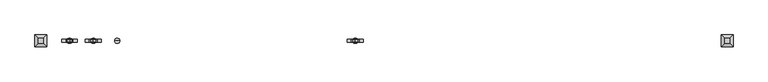
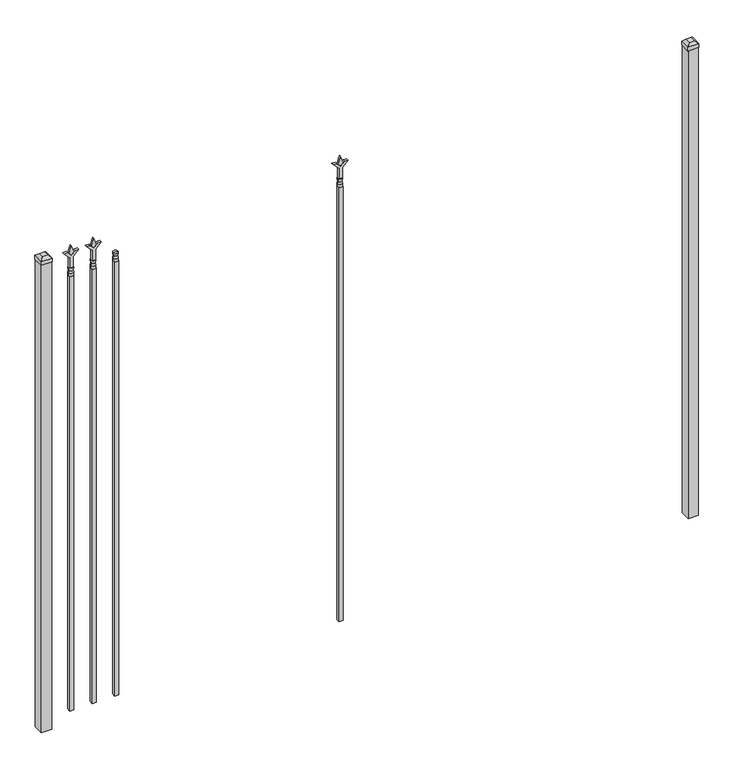
"""IFC4 building model written with IfcOpenShell, lengths in millimetres: railing geometry."""

import ifcopenshell
import ifcopenshell.guid

model = None  # the IFC model being written
_history = None  # IfcOwnerHistory: only IFC2X3 demands one
_inside = {}  # id of a spatial element -> (the spatial element, [elements in it])
_under = {}  # id of a project, library or spatial element -> (it, [spatial elements below it])
_declared = {}  # id of a project -> (the project, [libraries it declares])
_typed = {}  # id of a type object -> (the type object, [elements of that type])
_made_of = {}  # id of a material, layer set ... -> (it, [elements and type objects made of it])


def new_model(schema):
    """Start an empty IFC model of exactly this schema.

    Asked for "IFC4X3", IfcOpenShell would pick the latest addendum, in which some entities
    have other attributes; the version numbers below select the first issue.
    IFC2X3 requires an IfcOwnerHistory on every rooted entity: one is made here for all.
    """
    global model, _history
    if schema == "IFC4X3":
        model = ifcopenshell.file(schema_version=(4, 3, 0, 0))
    else:
        model = ifcopenshell.file(schema=schema)
    _inside.clear()
    _under.clear()
    _declared.clear()
    _typed.clear()
    _made_of.clear()
    _history = None
    if model.schema == "IFC2X3":
        org = make("IfcOrganization", Name="unknown")
        user = make(
            "IfcPersonAndOrganization",
            ThePerson=make("IfcPerson", FamilyName="unknown"),
            TheOrganization=org,
        )
        app = make(
            "IfcApplication",
            ApplicationDeveloper=org,
            Version="unknown",
            ApplicationFullName="unknown",
            ApplicationIdentifier="unknown",
        )
        _history = make(
            "IfcOwnerHistory",
            OwningUser=user,
            OwningApplication=app,
            ChangeAction="ADDED",
            CreationDate=0,
        )
    return model


def make(cls, **values):
    """One entity of the class cls with the attributes given. An attribute that is None is left unset."""
    return model.create_entity(
        cls, **{name: value for name, value in values.items() if value is not None}
    )


def rooted(cls, **values):
    """An entity with a GlobalId (a new one), such as an element, a storey or a relation."""
    return make(cls, GlobalId=ifcopenshell.guid.new(), OwnerHistory=_history, **values)


def si_unit(unit_type, name, prefix=None):
    """IfcSIUnit, for example si_unit("LENGTHUNIT", "METRE", prefix="MILLI")."""
    return make("IfcSIUnit", UnitType=unit_type, Prefix=prefix, Name=name)


def assignment(units):
    """IfcUnitAssignment: the units of a project."""
    return None if units is None else make("IfcUnitAssignment", Units=units)


def point(xyz):
    """IfcCartesianPoint."""
    return None if xyz is None else make("IfcCartesianPoint", Coordinates=xyz)


def direction(xyz):
    """IfcDirection."""
    return None if xyz is None else make("IfcDirection", DirectionRatios=xyz)


def frame(location, z_axis=None, x_axis=None):
    """IfcAxis2Placement3D, a coordinate frame: its origin and axes. An axis left out is left unset."""
    return make(
        "IfcAxis2Placement3D",
        Location=point(location),
        Axis=direction(z_axis),
        RefDirection=direction(x_axis),
    )


def origin():
    """The frame at (0, 0, 0) with its axes left unset."""
    return frame((0.0, 0.0, 0.0))


def origin_with_axes():
    """The frame at (0, 0, 0) with the z axis (0, 0, 1) and the x axis (1, 0, 0) written out."""
    return frame((0.0, 0.0, 0.0), z_axis=(0.0, 0.0, 1.0), x_axis=(1.0, 0.0, 0.0))


def place(relative_to, where):
    """IfcLocalPlacement: puts the frame where relative to a parent placement (None: the world)."""
    return make(
        "IfcLocalPlacement", PlacementRelTo=relative_to, RelativePlacement=where
    )


def context(
    kind, dimensions, precision=None, world=None, true_north=None, identifier=None
):
    """IfcGeometricRepresentationContext, for example the 3D "Model" context."""
    return make(
        "IfcGeometricRepresentationContext",
        ContextIdentifier=identifier,
        ContextType=kind,
        CoordinateSpaceDimension=dimensions,
        Precision=precision,
        WorldCoordinateSystem=world,
        TrueNorth=true_north,
    )


def project(units=None, contexts=None):
    """IfcProject with its units and contexts."""
    return rooted(
        "IfcProject",
        Name="project",
        RepresentationContexts=contexts,
        UnitsInContext=assignment(units),
    )


def spatial(cls, under=None, at=None, **own):
    """A site, building, storey or space (cls), placed at a placement, below another one or the project."""
    s = rooted(cls, ObjectPlacement=at, **own)
    if under is not None:
        _under.setdefault(under.id(), (under, []))[1].append(s)
    return s


def polyline(points):
    """IfcPolyline through the points."""
    return make("IfcPolyline", Points=[point(p) for p in points])


def circle_curve(where, radius):
    """IfcCircle in the frame where."""
    return make("IfcCircle", Position=where, Radius=radius)


def outline(outer, holes=None, kind="AREA"):
    """IfcArbitraryClosedProfileDef: a profile drawn as a closed curve; with holes, ...WithVoids."""
    if holes is None:
        return make("IfcArbitraryClosedProfileDef", ProfileType=kind, OuterCurve=outer)
    return make(
        "IfcArbitraryProfileDefWithVoids",
        ProfileType=kind,
        OuterCurve=outer,
        InnerCurves=holes,
    )


def extrude(swept, where, along, depth):
    """IfcExtrudedAreaSolid: the profile swept, set in the frame where, extruded along a direction by depth."""
    return make(
        "IfcExtrudedAreaSolid",
        SweptArea=swept,
        Position=where,
        ExtrudedDirection=direction(along),
        Depth=depth,
    )


def faces_of(points, faces, orient=None, outer=None):
    """IfcFace entities. A face is a list of loops; a loop is a list of indices into points, from 0.

    orient and outer hold one flag for each loop. By default every Orientation is true, the
    first loop of a face is its IfcFaceOuterBound and the others are IfcFaceBound.
    """
    made = []
    for i, loops in enumerate(faces):
        bounds = []
        for j, loop in enumerate(loops):
            is_outer = j == 0 if outer is None else outer[i][j]
            bounds.append(
                make(
                    "IfcFaceOuterBound" if is_outer else "IfcFaceBound",
                    Bound=make("IfcPolyLoop", Polygon=[points[k] for k in loop]),
                    Orientation=True if orient is None else orient[i][j],
                )
            )
        made.append(make("IfcFace", Bounds=bounds))
    return made


def faceted_brep(points, faces, orient=None, outer=None, voids=None):
    """IfcFacetedBrep: a solid bounded by flat faces; with voids (closed shells), ...WithVoids."""
    shared = [point(p) for p in points]
    hull = make("IfcClosedShell", CfsFaces=faces_of(shared, faces, orient, outer))
    if voids is None:
        return make("IfcFacetedBrep", Outer=hull)
    return make(
        "IfcFacetedBrepWithVoids",
        Outer=hull,
        Voids=[
            make(cls, CfsFaces=faces_of(shared, fs, o, b)) for cls, fs, o, b in voids
        ],
    )


def shape(context_of_items, identifier, shape_type, items):
    """IfcShapeRepresentation: the items that make up one representation, for example the "Body"."""
    return make(
        "IfcShapeRepresentation",
        ContextOfItems=context_of_items,
        RepresentationIdentifier=identifier,
        RepresentationType=shape_type,
        Items=items,
    )


def source(mapping_origin, context_of_items, identifier, shape_type, items):
    """IfcRepresentationMap: a shape defined once, which mapped items show again and again."""
    return make(
        "IfcRepresentationMap",
        MappingOrigin=mapping_origin,
        MappedRepresentation=shape(context_of_items, identifier, shape_type, items),
    )


def transform(
    local_origin,
    x_axis=None,
    y_axis=None,
    z_axis=None,
    scale=None,
    scale2=None,
    scale3=None,
    uniform=True,
):
    """IfcCartesianTransformationOperator3D, or its non-uniform kind. x_axis, y_axis, z_axis: its Axis1, 2, 3."""
    if uniform:
        return make(
            "IfcCartesianTransformationOperator3D",
            Axis1=direction(x_axis),
            Axis2=direction(y_axis),
            LocalOrigin=point(local_origin),
            Scale=scale,
            Axis3=direction(z_axis),
        )
    return make(
        "IfcCartesianTransformationOperator3DnonUniform",
        Axis1=direction(x_axis),
        Axis2=direction(y_axis),
        LocalOrigin=point(local_origin),
        Scale=scale,
        Axis3=direction(z_axis),
        Scale2=scale2,
        Scale3=scale3,
    )


def mapped(mapping_source, mapping_target):
    """IfcMappedItem: shows the shape of a source again, moved by a transform."""
    return make(
        "IfcMappedItem", MappingSource=mapping_source, MappingTarget=mapping_target
    )


def made_of(thing, what):
    """Note that an element or type object is made of a material, layer set ...; save() writes the relation."""
    if what is not None:
        _made_of.setdefault(what.id(), (what, []))[1].append(thing)
    return thing


def element(
    cls,
    number,
    at=None,
    inside=None,
    cuts=None,
    type_object=None,
    material=None,
    context=None,
    identifier="Body",
    shape_type=None,
    held_by="IfcProductDefinitionShape",
    body=None,
    shapes=None,
    **own,
):
    """One element of the class cls, such as IfcWall. Its Tag is "e" and its number.

    at: its placement. inside: the storey or other place that contains it. cuts: it is an
    opening in that element (IfcRelVoidsElement). A single representation is given by context,
    identifier, shape_type and body (its items); several are given by shapes. held_by: the class
    of the entity that holds the representations. save() writes the other relations.
    """
    e = rooted(cls, Tag="e%d" % number, ObjectPlacement=at, **own)
    if body is not None:
        shapes = [shape(context, identifier, shape_type, body)]
    if shapes is not None:
        e.Representation = make(held_by, Representations=shapes)
    if inside is not None:
        _inside.setdefault(inside.id(), (inside, []))[1].append(e)
    if cuts is not None:
        rooted(
            "IfcRelVoidsElement", RelatingBuildingElement=cuts, RelatedOpeningElement=e
        )
    if type_object is not None:
        _typed.setdefault(type_object.id(), (type_object, []))[1].append(e)
    return made_of(e, material)


def aggregate(whole, parts):
    """IfcRelAggregates: a whole, such as a stair, and the parts it consists of."""
    return rooted("IfcRelAggregates", RelatingObject=whole, RelatedObjects=parts)


def save(model, path):
    """Write the relations noted so far, then the file.

    IfcRelAggregates (storeys below a building ...), IfcRelContainedInSpatialStructure (elements
    in a storey), IfcRelDefinesByType, IfcRelAssociatesMaterial and IfcRelDeclares: one each for
    every whole, place, type object, material and project.
    """
    for whole, parts in _under.values():
        aggregate(whole, parts)
    for where, things in _inside.values():
        rooted(
            "IfcRelContainedInSpatialStructure",
            RelatedElements=things,
            RelatingStructure=where,
        )
    for kind, things in _typed.values():
        rooted("IfcRelDefinesByType", RelatedObjects=things, RelatingType=kind)
    for what, things in _made_of.values():
        rooted("IfcRelAssociatesMaterial", RelatedObjects=things, RelatingMaterial=what)
    for by, libraries in _declared.values():
        rooted("IfcRelDeclares", RelatingContext=by, RelatedDefinitions=libraries)
    model.write(path)


def plane_surface(at):
    """IfcPlane: the flat surface through the origin of the frame at, square to its z axis."""
    return make("IfcPlane", Position=at)


def cylinder_surface(at, radius):
    """IfcCylindricalSurface: all points at the distance radius from the z axis of the frame at."""
    return make("IfcCylindricalSurface", Position=at, Radius=radius)


def revolved_surface(curve, axis_point, axis_direction):
    """IfcSurfaceOfRevolution: the curve turned about the line through axis_point along axis_direction."""
    return make(
        "IfcSurfaceOfRevolution",
        SweptCurve=make("IfcArbitraryOpenProfileDef", ProfileType="CURVE", Curve=curve),
        AxisPosition=make("IfcAxis1Placement", Location=point(axis_point), Axis=direction(axis_direction)),
    )


def advanced_brep(points, edges, surfaces, faces):
    """IfcAdvancedBrep: a solid bounded by faces that lie on surfaces and meet in shared edges.

    An edge is (start, end): straight between two places in points (the first is 0);
    or (start, end, curve); or (start, end, curve, False) where it runs against its curve.
    A face is (place in surfaces, loops), or (place, loops, False) where it looks against
    its surface's normal. A loop lists edges by number (the first is 1), with a minus sign
    where the edge is run from its end to its start. The first loop is the outer one.
    """
    corners = [point(p) for p in points]
    vertices = [make("IfcVertexPoint", VertexGeometry=c) for c in corners]
    made = []
    for start, end, *more in edges:
        made.append(
            make(
                "IfcEdgeCurve",
                EdgeStart=vertices[start],
                EdgeEnd=vertices[end],
                EdgeGeometry=more[0] if more else make("IfcPolyline", Points=[corners[start], corners[end]]),
                SameSense=more[1] if len(more) > 1 else True,
            )
        )
    hull = []
    for where, loops, *sense in faces:
        bounds = []
        for j, loop in enumerate(loops):
            ring = [make("IfcOrientedEdge", EdgeElement=made[abs(k) - 1], Orientation=k > 0) for k in loop]
            bounds.append(
                make(
                    "IfcFaceOuterBound" if j == 0 else "IfcFaceBound",
                    Bound=make("IfcEdgeLoop", EdgeList=ring),
                    Orientation=True,
                )
            )
        hull.append(make("IfcAdvancedFace", Bounds=bounds, FaceSurface=surfaces[where], SameSense=sense[0] if sense else True))
    return make("IfcAdvancedBrep", Outer=make("IfcClosedShell", CfsFaces=hull))


def railing_cf32342f(model_context):
    return source(origin(), model_context, "Body", "SolidModel", [
        advanced_brep(
        [(-54887.1035036, -6731.2570174, 2298.7), (-54910.9160036, -6731.2570174, 2298.7), (-54910.9160036, -6731.2570174, 2286.0), (-54887.1035036, -6731.2570174, 2286.0), (-54889.3088355, -6731.2570174, 2311.2070585), (-54908.7106718, -6731.2570174, 2311.2070585), (-54887.1035036, -6731.2570174, 2327.275), (-54910.9160036, -6731.2570174, 2327.275), (-54899.0097536, -6731.2570174, 2327.275), (-54899.0097536, -6731.2570174, 2286.0)],
        [
            (0, 1, circle_curve(frame((-54899.0097536, -6731.2570174, 2298.7), z_axis=(0.0, 0.0, -1.0), x_axis=(-1.0, 0.0, 0.0)), 11.90625)),
            (1, 2),
            (2, 3, circle_curve(frame((-54899.0097536, -6731.2570174, 2286.0), z_axis=(0.0, 0.0, 1.0), x_axis=(-1.0, 0.0, 0.0)), 11.90625)),
            (3, 0),
            (1, 0, circle_curve(frame((-54899.0097536, -6731.2570174, 2298.7), z_axis=(0.0, 0.0, -1.0), x_axis=(-1.0, 0.0, 0.0)), 11.90625)),
            (3, 2, circle_curve(frame((-54899.0097536, -6731.2570174, 2286.0), z_axis=(0.0, 0.0, 1.0), x_axis=(-1.0, 0.0, 0.0)), 11.90625)),
            (4, 5, circle_curve(frame((-54899.0097536, -6731.2570174, 2311.2070585), z_axis=(0.0, 0.0, -1.0), x_axis=(-1.0, 0.0, 0.0)), 9.7009181)),
            (5, 1),
            (0, 4),
            (5, 4, circle_curve(frame((-54899.0097536, -6731.2570174, 2311.2070585), z_axis=(0.0, 0.0, -1.0), x_axis=(-1.0, 0.0, 0.0)), 9.7009181)),
            (6, 7, circle_curve(frame((-54899.0097536, -6731.2570174, 2327.275), z_axis=(0.0, 0.0, -1.0), x_axis=(-1.0, 0.0, 0.0)), 11.90625)),
            (7, 5),
            (4, 6),
            (7, 6, circle_curve(frame((-54899.0097536, -6731.2570174, 2327.275), z_axis=(0.0, 0.0, -1.0), x_axis=(-1.0, 0.0, 0.0)), 11.90625)),
            (8, 7),
            (6, 8),
            (2, 9),
            (9, 3),
        ],
        [
            cylinder_surface(frame((-54899.0097536, -6731.2570174, 2286.0), z_axis=(0.0, 0.0, 1.0), x_axis=(-1.0, 0.0, 0.0)), 11.90625),
            revolved_surface(polyline([(-54910.9160036, -6731.2570174, 2298.7), (-54908.7106718, -6731.2570174, 2311.2070585)]), (-54899.0097536, -6731.2570174, 2286.0), (0.0, 0.0, 1.0)),
            revolved_surface(polyline([(-54908.7106718, -6731.2570174, 2311.2070585), (-54910.9160036, -6731.2570174, 2327.275)]), (-54899.0097536, -6731.2570174, 2286.0), (0.0, 0.0, 1.0)),
            plane_surface(frame((-54899.0097536, -6731.2570174, 2327.275), z_axis=(0.0, 0.0, 1.0), x_axis=(-1.0, 0.0, 0.0))),
            plane_surface(frame((-54899.0097536, -6731.2570174, 2286.0), z_axis=(0.0, 0.0, -1.0), x_axis=(-1.0, 0.0, 0.0))),
        ],
        [
            (0, [[1, 2, 3, 4]]),
            (0, [[5, -4, 6, -2]]),
            (1, [[7, 8, -1, 9]]),
            (1, [[10, -9, -5, -8]]),
            (2, [[11, 12, -7, 13]]),
            (2, [[14, -13, -10, -12]]),
            (3, [[15, -11, 16]]),
            (3, [[-16, -14, -15]]),
            (4, [[-3, 17, 18]]),
            (4, [[-6, -18, -17]]),
        ],
    ),
        extrude(outline(polyline([(-54908.5347536, -6721.7320174), (-54889.4847536, -6721.7320174), (-54889.4847536, -6740.7820174), (-54908.5347536, -6740.7820174), (-54908.5347536, -6721.7320174)])), frame((0.0, 0.0, 50.8), z_axis=(0.0, 0.0, 1.0), x_axis=(1.0, 0.0, 0.0)), (0.0, 0.0, 1.0), 2235.2),
        extrude(outline(polyline([(2402.68125, -54996.3764203), (2438.4, -55008.2826703), (2402.68125, -55020.1889203), (2390.775, -55008.2826703), (2402.68125, -54996.3764203)])), frame((0.0, -6736.0195174, 0.0), z_axis=(0.0, 1.0, 0.0), x_axis=(0.0, 0.0, 1.0)), (0.0, 0.0, 1.0), 9.525),
        extrude(outline(polyline([(2327.275, -54999.5514203), (2381.5457378, -54999.5514203), (2408.7355122, -54972.3616458), (2408.7355122, -54990.3221581), (2390.775, -55008.2826703), (2408.7355122, -55026.2431825), (2408.7355122, -55044.2036948), (2381.5457378, -55017.0139203), (2327.275, -55017.0139203), (2327.275, -54999.5514203)])), frame((0.0, -6737.6070174, 0.0), z_axis=(0.0, 1.0, 0.0), x_axis=(0.0, 0.0, 1.0)), (0.0, 0.0, 1.0), 12.7),
        advanced_brep(
        [(-54996.3764203, -6731.2570174, 2298.7), (-55020.1889203, -6731.2570174, 2298.7), (-55020.1889203, -6731.2570174, 2286.0), (-54996.3764203, -6731.2570174, 2286.0), (-54998.5817522, -6731.2570174, 2311.2070585), (-55017.9835884, -6731.2570174, 2311.2070585), (-54996.3764203, -6731.2570174, 2327.275), (-55020.1889203, -6731.2570174, 2327.275), (-55008.2826703, -6731.2570174, 2327.275), (-55008.2826703, -6731.2570174, 2286.0)],
        [
            (0, 1, circle_curve(frame((-55008.2826703, -6731.2570174, 2298.7), z_axis=(0.0, 0.0, -1.0), x_axis=(-1.0, 0.0, 0.0)), 11.90625)),
            (1, 2),
            (2, 3, circle_curve(frame((-55008.2826703, -6731.2570174, 2286.0), z_axis=(0.0, 0.0, 1.0), x_axis=(-1.0, 0.0, 0.0)), 11.90625)),
            (3, 0),
            (1, 0, circle_curve(frame((-55008.2826703, -6731.2570174, 2298.7), z_axis=(0.0, 0.0, -1.0), x_axis=(-1.0, 0.0, 0.0)), 11.90625)),
            (3, 2, circle_curve(frame((-55008.2826703, -6731.2570174, 2286.0), z_axis=(0.0, 0.0, 1.0), x_axis=(-1.0, 0.0, 0.0)), 11.90625)),
            (4, 5, circle_curve(frame((-55008.2826703, -6731.2570174, 2311.2070585), z_axis=(0.0, 0.0, -1.0), x_axis=(-1.0, 0.0, 0.0)), 9.7009181)),
            (5, 1),
            (0, 4),
            (5, 4, circle_curve(frame((-55008.2826703, -6731.2570174, 2311.2070585), z_axis=(0.0, 0.0, -1.0), x_axis=(-1.0, 0.0, 0.0)), 9.7009181)),
            (6, 7, circle_curve(frame((-55008.2826703, -6731.2570174, 2327.275), z_axis=(0.0, 0.0, -1.0), x_axis=(-1.0, 0.0, 0.0)), 11.90625)),
            (7, 5),
            (4, 6),
            (7, 6, circle_curve(frame((-55008.2826703, -6731.2570174, 2327.275), z_axis=(0.0, 0.0, -1.0), x_axis=(-1.0, 0.0, 0.0)), 11.90625)),
            (8, 7),
            (6, 8),
            (2, 9),
            (9, 3),
        ],
        [
            cylinder_surface(frame((-55008.2826703, -6731.2570174, 2286.0), z_axis=(0.0, 0.0, 1.0), x_axis=(-1.0, 0.0, 0.0)), 11.90625),
            revolved_surface(polyline([(-55020.1889203, -6731.2570174, 2298.7), (-55017.9835884, -6731.2570174, 2311.2070585)]), (-55008.2826703, -6731.2570174, 2286.0), (0.0, 0.0, 1.0)),
            revolved_surface(polyline([(-55017.9835884, -6731.2570174, 2311.2070585), (-55020.1889203, -6731.2570174, 2327.275)]), (-55008.2826703, -6731.2570174, 2286.0), (0.0, 0.0, 1.0)),
            plane_surface(frame((-55008.2826703, -6731.2570174, 2327.275), z_axis=(0.0, 0.0, 1.0), x_axis=(-1.0, 0.0, 0.0))),
            plane_surface(frame((-55008.2826703, -6731.2570174, 2286.0), z_axis=(0.0, 0.0, -1.0), x_axis=(-1.0, 0.0, 0.0))),
        ],
        [
            (0, [[1, 2, 3, 4]]),
            (0, [[5, -4, 6, -2]]),
            (1, [[7, 8, -1, 9]]),
            (1, [[10, -9, -5, -8]]),
            (2, [[11, 12, -7, 13]]),
            (2, [[14, -13, -10, -12]]),
            (3, [[15, -11, 16]]),
            (3, [[-16, -14, -15]]),
            (4, [[-3, 17, 18]]),
            (4, [[-6, -18, -17]]),
        ],
    ),
        extrude(outline(polyline([(-55017.8076703, -6721.7320174), (-54998.7576703, -6721.7320174), (-54998.7576703, -6740.7820174), (-55017.8076703, -6740.7820174), (-55017.8076703, -6721.7320174)])), frame((0.0, 0.0, 50.8), z_axis=(0.0, 0.0, 1.0), x_axis=(1.0, 0.0, 0.0)), (0.0, 0.0, 1.0), 2235.2),
        extrude(outline(polyline([(2402.68125, -53794.374337), (2438.4, -53806.280587), (2402.68125, -53818.186837), (2390.775, -53806.280587), (2402.68125, -53794.374337)])), frame((0.0, -6736.0195174, 0.0), z_axis=(0.0, 1.0, 0.0), x_axis=(0.0, 0.0, 1.0)), (0.0, 0.0, 1.0), 9.525),
        extrude(outline(polyline([(2327.275, -53797.549337), (2381.5457378, -53797.549337), (2408.7355122, -53770.3595625), (2408.7355122, -53788.3200747), (2390.775, -53806.280587), (2408.7355122, -53824.2410992), (2408.7355122, -53842.2016114), (2381.5457378, -53815.011837), (2327.275, -53815.011837), (2327.275, -53797.549337)])), frame((0.0, -6737.6070174, 0.0), z_axis=(0.0, 1.0, 0.0), x_axis=(0.0, 0.0, 1.0)), (0.0, 0.0, 1.0), 12.7),
        advanced_brep(
        [(-53794.374337, -6731.2570174, 2298.7), (-53818.186837, -6731.2570174, 2298.7), (-53818.186837, -6731.2570174, 2286.0), (-53794.374337, -6731.2570174, 2286.0), (-53796.5796688, -6731.2570174, 2311.2070585), (-53815.9815051, -6731.2570174, 2311.2070585), (-53794.374337, -6731.2570174, 2327.275), (-53818.186837, -6731.2570174, 2327.275), (-53806.280587, -6731.2570174, 2327.275), (-53806.280587, -6731.2570174, 2286.0)],
        [
            (0, 1, circle_curve(frame((-53806.280587, -6731.2570174, 2298.7), z_axis=(0.0, 0.0, -1.0), x_axis=(-1.0, 0.0, 0.0)), 11.90625)),
            (1, 2),
            (2, 3, circle_curve(frame((-53806.280587, -6731.2570174, 2286.0), z_axis=(0.0, 0.0, 1.0), x_axis=(-1.0, 0.0, 0.0)), 11.90625)),
            (3, 0),
            (1, 0, circle_curve(frame((-53806.280587, -6731.2570174, 2298.7), z_axis=(0.0, 0.0, -1.0), x_axis=(-1.0, 0.0, 0.0)), 11.90625)),
            (3, 2, circle_curve(frame((-53806.280587, -6731.2570174, 2286.0), z_axis=(0.0, 0.0, 1.0), x_axis=(-1.0, 0.0, 0.0)), 11.90625)),
            (4, 5, circle_curve(frame((-53806.280587, -6731.2570174, 2311.2070585), z_axis=(0.0, 0.0, -1.0), x_axis=(-1.0, 0.0, 0.0)), 9.7009181)),
            (5, 1),
            (0, 4),
            (5, 4, circle_curve(frame((-53806.280587, -6731.2570174, 2311.2070585), z_axis=(0.0, 0.0, -1.0), x_axis=(-1.0, 0.0, 0.0)), 9.7009181)),
            (6, 7, circle_curve(frame((-53806.280587, -6731.2570174, 2327.275), z_axis=(0.0, 0.0, -1.0), x_axis=(-1.0, 0.0, 0.0)), 11.90625)),
            (7, 5),
            (4, 6),
            (7, 6, circle_curve(frame((-53806.280587, -6731.2570174, 2327.275), z_axis=(0.0, 0.0, -1.0), x_axis=(-1.0, 0.0, 0.0)), 11.90625)),
            (8, 7),
            (6, 8),
            (2, 9),
            (9, 3),
        ],
        [
            cylinder_surface(frame((-53806.280587, -6731.2570174, 2286.0), z_axis=(0.0, 0.0, 1.0), x_axis=(-1.0, 0.0, 0.0)), 11.90625),
            revolved_surface(polyline([(-53818.186837, -6731.2570174, 2298.7), (-53815.9815051, -6731.2570174, 2311.2070585)]), (-53806.280587, -6731.2570174, 2286.0), (0.0, 0.0, 1.0)),
            revolved_surface(polyline([(-53815.9815051, -6731.2570174, 2311.2070585), (-53818.186837, -6731.2570174, 2327.275)]), (-53806.280587, -6731.2570174, 2286.0), (0.0, 0.0, 1.0)),
            plane_surface(frame((-53806.280587, -6731.2570174, 2327.275), z_axis=(0.0, 0.0, 1.0), x_axis=(-1.0, 0.0, 0.0))),
            plane_surface(frame((-53806.280587, -6731.2570174, 2286.0), z_axis=(0.0, 0.0, -1.0), x_axis=(-1.0, 0.0, 0.0))),
        ],
        [
            (0, [[1, 2, 3, 4]]),
            (0, [[5, -4, 6, -2]]),
            (1, [[7, 8, -1, 9]]),
            (1, [[10, -9, -5, -8]]),
            (2, [[11, 12, -7, 13]]),
            (2, [[14, -13, -10, -12]]),
            (3, [[15, -11, 16]]),
            (3, [[-16, -14, -15]]),
            (4, [[-3, 17, 18]]),
            (4, [[-6, -18, -17]]),
        ],
    ),
        extrude(outline(polyline([(-53815.805587, -6721.7320174), (-53796.755587, -6721.7320174), (-53796.755587, -6740.7820174), (-53815.805587, -6740.7820174), (-53815.805587, -6721.7320174)])), frame((0.0, 0.0, 50.8), z_axis=(0.0, 0.0, 1.0), x_axis=(1.0, 0.0, 0.0)), (0.0, 0.0, 1.0), 2235.2),
        extrude(outline(polyline([(2402.68125, -55105.649337), (2438.4, -55117.555587), (2402.68125, -55129.461837), (2390.775, -55117.555587), (2402.68125, -55105.649337)])), frame((0.0, -6736.0195174, 0.0), z_axis=(0.0, 1.0, 0.0), x_axis=(0.0, 0.0, 1.0)), (0.0, 0.0, 1.0), 9.525),
        extrude(outline(polyline([(2327.275, -55108.824337), (2381.5457378, -55108.824337), (2408.7355122, -55081.6345625), (2408.7355122, -55099.5950747), (2390.775, -55117.555587), (2408.7355122, -55135.5160992), (2408.7355122, -55153.4766114), (2381.5457378, -55126.286837), (2327.275, -55126.286837), (2327.275, -55108.824337)])), frame((0.0, -6737.6070174, 0.0), z_axis=(0.0, 1.0, 0.0), x_axis=(0.0, 0.0, 1.0)), (0.0, 0.0, 1.0), 12.7),
        advanced_brep(
        [(-55105.649337, -6731.2570174, 2298.7), (-55129.461837, -6731.2570174, 2298.7), (-55129.461837, -6731.2570174, 2286.0), (-55105.649337, -6731.2570174, 2286.0), (-55107.8546688, -6731.2570174, 2311.2070585), (-55127.2565051, -6731.2570174, 2311.2070585), (-55105.649337, -6731.2570174, 2327.275), (-55129.461837, -6731.2570174, 2327.275), (-55117.555587, -6731.2570174, 2327.275), (-55117.555587, -6731.2570174, 2286.0)],
        [
            (0, 1, circle_curve(frame((-55117.555587, -6731.2570174, 2298.7), z_axis=(0.0, 0.0, -1.0), x_axis=(-1.0, 0.0, 0.0)), 11.90625)),
            (1, 2),
            (2, 3, circle_curve(frame((-55117.555587, -6731.2570174, 2286.0), z_axis=(0.0, 0.0, 1.0), x_axis=(-1.0, 0.0, 0.0)), 11.90625)),
            (3, 0),
            (1, 0, circle_curve(frame((-55117.555587, -6731.2570174, 2298.7), z_axis=(0.0, 0.0, -1.0), x_axis=(-1.0, 0.0, 0.0)), 11.90625)),
            (3, 2, circle_curve(frame((-55117.555587, -6731.2570174, 2286.0), z_axis=(0.0, 0.0, 1.0), x_axis=(-1.0, 0.0, 0.0)), 11.90625)),
            (4, 5, circle_curve(frame((-55117.555587, -6731.2570174, 2311.2070585), z_axis=(0.0, 0.0, -1.0), x_axis=(-1.0, 0.0, 0.0)), 9.7009181)),
            (5, 1),
            (0, 4),
            (5, 4, circle_curve(frame((-55117.555587, -6731.2570174, 2311.2070585), z_axis=(0.0, 0.0, -1.0), x_axis=(-1.0, 0.0, 0.0)), 9.7009181)),
            (6, 7, circle_curve(frame((-55117.555587, -6731.2570174, 2327.275), z_axis=(0.0, 0.0, -1.0), x_axis=(-1.0, 0.0, 0.0)), 11.90625)),
            (7, 5),
            (4, 6),
            (7, 6, circle_curve(frame((-55117.555587, -6731.2570174, 2327.275), z_axis=(0.0, 0.0, -1.0), x_axis=(-1.0, 0.0, 0.0)), 11.90625)),
            (8, 7),
            (6, 8),
            (2, 9),
            (9, 3),
        ],
        [
            cylinder_surface(frame((-55117.555587, -6731.2570174, 2286.0), z_axis=(0.0, 0.0, 1.0), x_axis=(-1.0, 0.0, 0.0)), 11.90625),
            revolved_surface(polyline([(-55129.461837, -6731.2570174, 2298.7), (-55127.2565051, -6731.2570174, 2311.2070585)]), (-55117.555587, -6731.2570174, 2286.0), (0.0, 0.0, 1.0)),
            revolved_surface(polyline([(-55127.2565051, -6731.2570174, 2311.2070585), (-55129.461837, -6731.2570174, 2327.275)]), (-55117.555587, -6731.2570174, 2286.0), (0.0, 0.0, 1.0)),
            plane_surface(frame((-55117.555587, -6731.2570174, 2327.275), z_axis=(0.0, 0.0, 1.0), x_axis=(-1.0, 0.0, 0.0))),
            plane_surface(frame((-55117.555587, -6731.2570174, 2286.0), z_axis=(0.0, 0.0, -1.0), x_axis=(-1.0, 0.0, 0.0))),
        ],
        [
            (0, [[1, 2, 3, 4]]),
            (0, [[5, -4, 6, -2]]),
            (1, [[7, 8, -1, 9]]),
            (1, [[10, -9, -5, -8]]),
            (2, [[11, 12, -7, 13]]),
            (2, [[14, -13, -10, -12]]),
            (3, [[15, -11, 16]]),
            (3, [[-16, -14, -15]]),
            (4, [[-3, 17, 18]]),
            (4, [[-6, -18, -17]]),
        ],
    ),
        extrude(outline(polyline([(-55127.080587, -6721.7320174), (-55108.030587, -6721.7320174), (-55108.030587, -6740.7820174), (-55127.080587, -6740.7820174), (-55127.080587, -6721.7320174)])), frame((0.0, 0.0, 50.8), z_axis=(0.0, 0.0, 1.0), x_axis=(1.0, 0.0, 0.0)), (0.0, 0.0, 1.0), 2235.2),
        extrude(outline(polyline([(-52074.318087, -6705.8570174), (-52074.318087, -6756.6570174), (-52125.118087, -6756.6570174), (-52125.118087, -6705.8570174), (-52074.318087, -6705.8570174)])), origin_with_axes(), (0.0, 0.0, 1.0), 2406.65),
        faceted_brep([(-52126.705587, -6704.2695174, 2425.7), (-52126.705587, -6704.2695174, 2406.65), (-52126.705587, -6758.2445174, 2406.65), (-52126.705587, -6758.2445174, 2425.7), (-52114.005587, -6716.9695174, 2438.4), (-52114.005587, -6745.5445174, 2438.4), (-52072.730587, -6758.2445174, 2406.65), (-52072.730587, -6758.2445174, 2425.7), (-52085.430587, -6745.5445174, 2438.4), (-52072.730587, -6704.2695174, 2406.65), (-52072.730587, -6704.2695174, 2425.7), (-52085.430587, -6716.9695174, 2438.4)], [[[0, 1, 2, 3]], [[4, 0, 3, 5]], [[3, 2, 6, 7]], [[5, 3, 7, 8]], [[7, 6, 9, 10]], [[8, 7, 10, 11]], [[10, 9, 1, 0]], [[11, 10, 0, 4]], [[5, 8, 11, 4]], [[1, 9, 6, 2]]]),
        extrude(outline(polyline([(-55223.918087, -6705.8570174), (-55223.918087, -6756.6570174), (-55274.718087, -6756.6570174), (-55274.718087, -6705.8570174), (-55223.918087, -6705.8570174)])), origin_with_axes(), (0.0, 0.0, 1.0), 2406.65),
        faceted_brep([(-55276.305587, -6704.2695174, 2425.7), (-55276.305587, -6704.2695174, 2406.65), (-55276.305587, -6758.2445174, 2406.65), (-55276.305587, -6758.2445174, 2425.7), (-55263.605587, -6716.9695174, 2438.4), (-55263.605587, -6745.5445174, 2438.4), (-55222.330587, -6758.2445174, 2406.65), (-55222.330587, -6758.2445174, 2425.7), (-55235.030587, -6745.5445174, 2438.4), (-55222.330587, -6704.2695174, 2406.65), (-55222.330587, -6704.2695174, 2425.7), (-55235.030587, -6716.9695174, 2438.4)], [[[0, 1, 2, 3]], [[4, 0, 3, 5]], [[3, 2, 6, 7]], [[5, 3, 7, 8]], [[7, 6, 9, 10]], [[8, 7, 10, 11]], [[10, 9, 1, 0]], [[11, 10, 0, 4]], [[5, 8, 11, 4]], [[1, 9, 6, 2]]]),
    ])


if __name__ == "__main__":
    model = new_model("IFC4")
    model_context = context("Model", 3, world=origin())
    ifc_project = project(units=[si_unit("LENGTHUNIT", "METRE", prefix="MILLI")], contexts=[model_context])
    site = spatial("IfcSite", under=ifc_project)
    building = spatial("IfcBuilding", under=site)
    placement = place(None, origin())
    railing_shape = railing_cf32342f(model_context)
    element("IfcRailing", 1, at=placement, inside=building, context=model_context, shape_type="MappedRepresentation", body=[
        mapped(railing_shape, transform((0.0, 0.0, 0.0), x_axis=(1.0, 0.0, 0.0), y_axis=(0.0, 1.0, 0.0), z_axis=(0.0, 0.0, 1.0))),
    ])
    save(model, "model.ifc")
